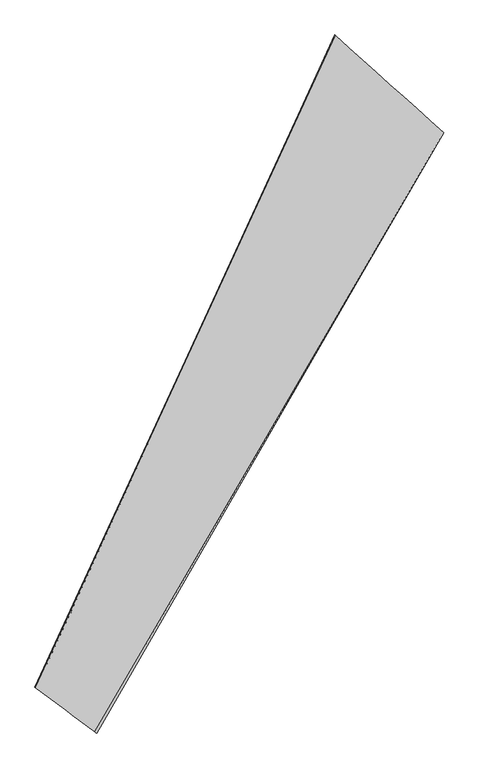
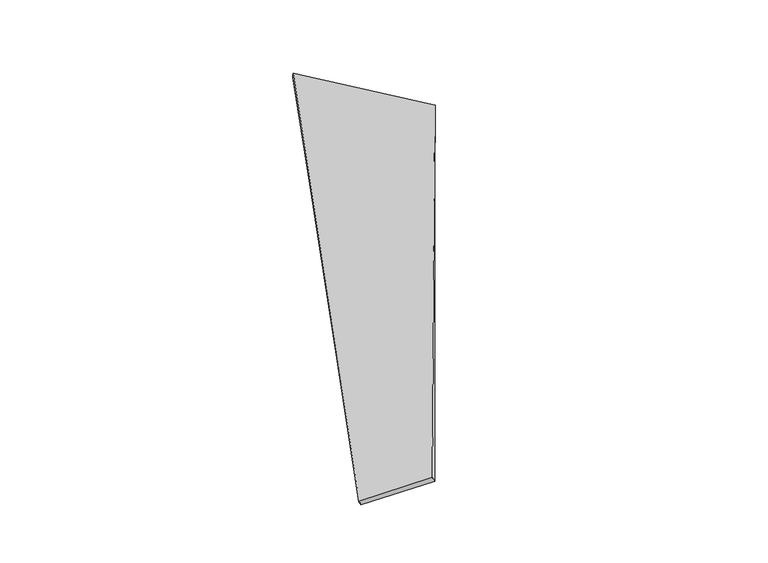
"""IFC4 building model written with IfcOpenShell, lengths in millimetres: proxy geometry."""

from ifc_helpers import new_model, si_unit, origin, place, context, project, spatial, source, transform, mapped, element, save
from ifc_brep_helpers import spline_surface, advanced_brep


def generic_models_c5d2c2f9(model_context):
    return source(origin(), model_context, "Body", "AdvancedBrep", [
        advanced_brep(
        [(-705.1591781, -1786.4032512, 105.4058304), (-695.1710998, -1793.4675347, 78.0136018), (1349.1320893, 1747.5867298, -85.0865799), (1352.9016496, 1746.7444619, -55.336269), (-1046.1706357, -1526.7612798, -131.0069436), (708.1904822, 2324.2490332, 24.6054222), (-1059.1151987, -1521.897642, -104.3839588), (711.3727272, 2321.5564313, 54.3143975)],
        [
            (0, 1),
            (1, 2),
            (2, 3),
            (3, 0),
            (1, 4),
            (4, 5),
            (5, 2),
            (4, 6),
            (6, 7),
            (7, 5),
            (6, 0),
            (3, 7),
        ],
        [
            spline_surface(1, 1, [[(-705.1591781, -1786.4032512, 105.4058304), (1352.9016496, 1746.7444619, -55.336269)], [(-695.1710998, -1793.4675347, 78.0136018), (1349.1320893, 1747.5867298, -85.0865799)]], [2, 2], [2, 2], [0.0, 1.0], [0.0, 1.0]),
            spline_surface(1, 1, [[(-695.1710998, -1793.4675347, 78.0136018), (1349.1320893, 1747.5867298, -85.0865799)], [(-1046.1706357, -1526.7612798, -131.0069436), (708.1904822, 2324.2490332, 24.6054222)]], [2, 2], [2, 2], [0.0, 1.0], [0.0, 1.0]),
            spline_surface(1, 1, [[(-1046.1706357, -1526.7612798, -131.0069436), (708.1904822, 2324.2490332, 24.6054222)], [(-1059.1151987, -1521.897642, -104.3839588), (711.3727272, 2321.5564313, 54.3143975)]], [2, 2], [2, 2], [0.0, 1.0], [0.0, 1.0]),
            spline_surface(1, 1, [[(-1059.1151987, -1521.897642, -104.3839588), (711.3727272, 2321.5564313, 54.3143975)], [(-705.1591781, -1786.4032512, 105.4058304), (1352.9016496, 1746.7444619, -55.336269)]], [2, 2], [2, 2], [0.0, 1.0], [0.0, 1.0]),
            spline_surface(1, 1, [[(1349.1320893, 1747.5867298, -85.0865799), (1352.9016496, 1746.7444619, -55.336269)], [(708.1904822, 2324.2490332, 24.6054222), (711.3727272, 2321.5564313, 54.3143975)]], [2, 2], [2, 2], [0.0, 1.0], [0.0, 1.0]),
            spline_surface(1, 1, [[(-1059.1151987, -1521.897642, -104.3839588), (-705.1591781, -1786.4032512, 105.4058304)], [(-1046.1706357, -1526.7612798, -131.0069436), (-695.1710998, -1793.4675347, 78.0136018)]], [2, 2], [2, 2], [0.0, 1.0], [0.0, 1.0]),
        ],
        [
            (0, [[1, 2, 3, 4]]),
            (1, [[5, 6, 7, -2]]),
            (2, [[8, 9, 10, -6]]),
            (3, [[11, -4, 12, -9]]),
            (4, [[-3, -7, -10, -12]]),
            (5, [[-11, -8, -5, -1]]),
        ],
    ),
    ])


if __name__ == "__main__":
    model = new_model("IFC4")
    model_context = context("Model", 3, world=origin())
    ifc_project = project(units=[si_unit("LENGTHUNIT", "METRE", prefix="MILLI")], contexts=[model_context])
    site = spatial("IfcSite", under=ifc_project)
    building = spatial("IfcBuilding", under=site)
    placement = place(None, origin())
    generic_models_shape = generic_models_c5d2c2f9(model_context)
    element("IfcBuildingElementProxy", 1, Name="Generic Models", at=placement, inside=building, context=model_context, shape_type="MappedRepresentation", body=[
        mapped(generic_models_shape, transform((0.0, 0.0, 0.0), x_axis=(1.0, 0.0, 0.0), y_axis=(0.0, 1.0, 0.0), z_axis=(0.0, 0.0, 1.0))),
    ])
    save(model, "model.ifc")
